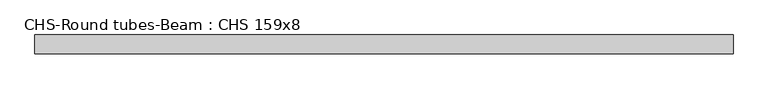
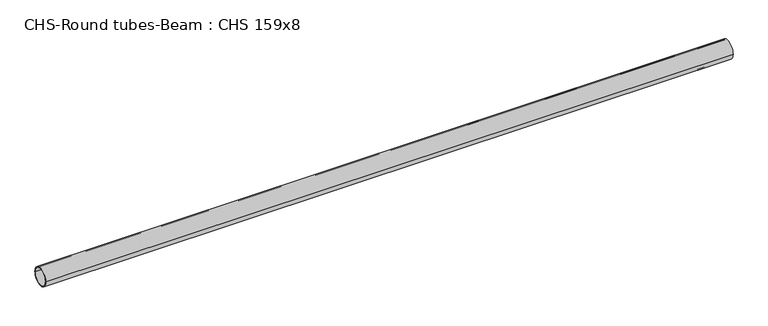
"""IFC4 building model written with IfcOpenShell, lengths in millimetres: beam geometry, CHS-Round tubes-Beam : CHS 159x8."""

from ifc_helpers import new_model, si_unit, point, frame, origin, origin_2d, place, context, project, spatial, circle_curve, trimmed, segment, composite_curve, outline, extrude, source, transform, mapped, element, save


def chs_round_tubes_beam_chs_159x8_b313c86d(model_context):
    return source(origin(), model_context, "Body", "SweptSolid", [
        extrude(outline(composite_curve([segment(trimmed(circle_curve(origin_2d(), 79.5), [point((79.5, 0.0))], [point((-79.5, 0.0))], False, "CARTESIAN"), True, "CONTINUOUS"), segment(trimmed(circle_curve(origin_2d(), 79.5), [point((-79.5, 0.0))], [point((79.5, 0.0))], False, "CARTESIAN"), True, "CONTINUOUS")], self_intersect=False), holes=[composite_curve([segment(trimmed(circle_curve(origin_2d(), 71.5), [point((71.5, 0.0))], [point((-71.5, 0.0))], True, "CARTESIAN"), True, "CONTINUOUS"), segment(trimmed(circle_curve(origin_2d(), 71.5), [point((-71.5, 0.0))], [point((71.5, 0.0))], True, "CARTESIAN"), True, "CONTINUOUS")], self_intersect=False)]), frame((-2944.0455747, 0.0, 0.0), z_axis=(1.0, 0.0, 0.0), x_axis=(0.0, 1.0, 0.0)), (0.0, 0.0, 1.0), 5888.0911493),
    ])


if __name__ == "__main__":
    model = new_model("IFC4")
    model_context = context("Model", 3, world=origin())
    ifc_project = project(units=[si_unit("LENGTHUNIT", "METRE", prefix="MILLI")], contexts=[model_context])
    site = spatial("IfcSite", under=ifc_project)
    building = spatial("IfcBuilding", under=site)
    placement = place(None, origin())
    chs_round_tubes_beam_chs_159x8_shape = chs_round_tubes_beam_chs_159x8_b313c86d(model_context)
    element("IfcBeam", 1, ObjectType="CHS-Round tubes-Beam : CHS 159x8", at=placement, inside=building, context=model_context, shape_type="MappedRepresentation", body=[
        mapped(chs_round_tubes_beam_chs_159x8_shape, transform((0.0, 0.0, 0.0), x_axis=(1.0, 0.0, 0.0), y_axis=(0.0, 1.0, 0.0), z_axis=(0.0, 0.0, 1.0))),
    ])
    save(model, "model.ifc")
